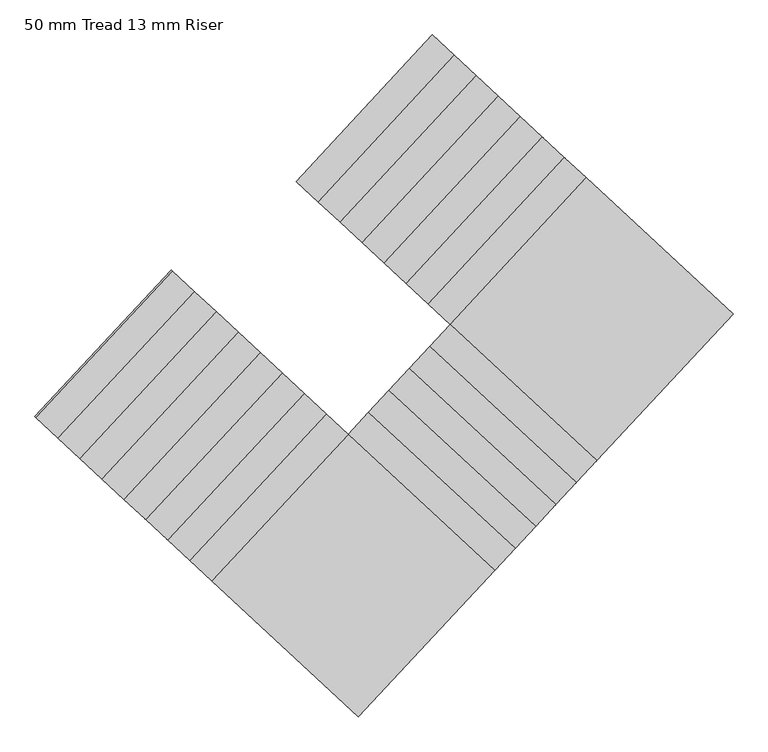
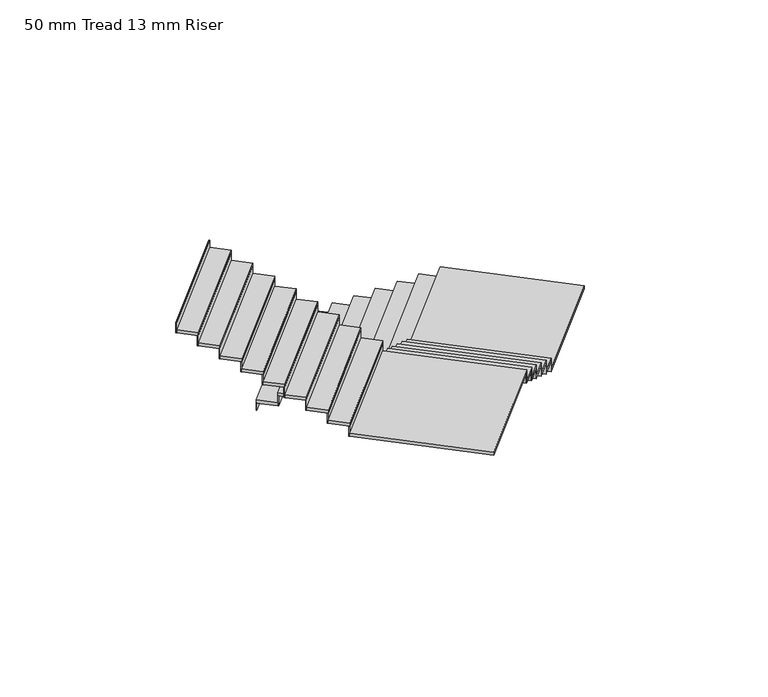
"""IFC4 building model written with IfcOpenShell, lengths in millimetres: stair flight geometry, 50 mm Tread 13 mm Riser."""

from ifc_helpers import new_model, si_unit, frame, origin, place, context, project, spatial, polyline, outline, extrude, source, transform, mapped, element, save


def stair_flight_50_mm_tread_13_mm_riser_6cf9d932(model_context):
    return source(origin(), model_context, "Body", "SweptSolid", [
        extrude(outline(polyline([(-224111.8923245, 1149.5064347), (-224121.0507096, 1158.0137246), (-222759.8843152, 2623.3553389), (-222750.7259301, 2614.848049), (-224111.8923245, 1149.5064347)])), frame((0.0, 0.0, 8680.0), z_axis=(0.0, 0.0, 1.0), x_axis=(1.0, 0.0, 0.0)), (0.0, 0.0, 1.0), 116.6666667),
        extrude(outline(polyline([(-222540.083073, 2419.1803798), (-223901.2494674, 953.8387655), (-224121.0507096, 1158.0137246), (-222759.8843152, 2623.3553389), (-222540.083073, 2419.1803798)])), frame((0.0, 0.0, 8796.6666667), z_axis=(0.0, 0.0, 1.0), x_axis=(1.0, 0.0, 0.0)), (0.0, 0.0, 1.0), 50.0),
        extrude(outline(polyline([(-223892.0910823, 945.3314755), (-223901.2494674, 953.8387655), (-222540.083073, 2419.1803798), (-222530.9246879, 2410.6730898), (-223892.0910823, 945.3314755)])), frame((0.0, 0.0, 8796.6666667), z_axis=(0.0, 0.0, 1.0), x_axis=(1.0, 0.0, 0.0)), (0.0, 0.0, 1.0), 166.6666667),
        extrude(outline(polyline([(-222320.2818309, 2215.0054206), (-223681.4482253, 749.6638063), (-223901.2494674, 953.8387655), (-222540.083073, 2419.1803798), (-222320.2818309, 2215.0054206)])), frame((0.0, 0.0, 8963.3333333), z_axis=(0.0, 0.0, 1.0), x_axis=(1.0, 0.0, 0.0)), (0.0, 0.0, 1.0), 50.0),
        extrude(outline(polyline([(-223672.2898402, 741.1565163), (-223681.4482253, 749.6638063), (-222320.2818309, 2215.0054206), (-222311.1234458, 2206.4981307), (-223672.2898402, 741.1565163)])), frame((0.0, 0.0, 8963.3333333), z_axis=(0.0, 0.0, 1.0), x_axis=(1.0, 0.0, 0.0)), (0.0, 0.0, 1.0), 166.6666667),
        extrude(outline(polyline([(-222100.4805887, 2010.8304615), (-223461.6469831, 545.4888471), (-223681.4482253, 749.6638063), (-222320.2818309, 2215.0054206), (-222100.4805887, 2010.8304615)])), frame((0.0, 0.0, 9130.0), z_axis=(0.0, 0.0, 1.0), x_axis=(1.0, 0.0, 0.0)), (0.0, 0.0, 1.0), 50.0),
        extrude(outline(polyline([(-223452.488598, 536.9815572), (-223461.6469831, 545.4888471), (-222100.4805887, 2010.8304614), (-222091.3222036, 2002.3231715), (-223452.488598, 536.9815572)])), frame((0.0, 0.0, 9130.0), z_axis=(0.0, 0.0, 1.0), x_axis=(1.0, 0.0, 0.0)), (0.0, 0.0, 1.0), 166.6666667),
        extrude(outline(polyline([(-221880.6793466, 1806.6555023), (-223241.845741, 341.313888), (-223461.6469831, 545.4888471), (-222100.4805887, 2010.8304614), (-221880.6793466, 1806.6555023)])), frame((0.0, 0.0, 9296.6666667), z_axis=(0.0, 0.0, 1.0), x_axis=(1.0, 0.0, 0.0)), (0.0, 0.0, 1.0), 50.0),
        extrude(outline(polyline([(-223232.6873559, 332.806598), (-223241.845741, 341.313888), (-221880.6793466, 1806.6555023), (-221871.5209615, 1798.1482123), (-223232.6873559, 332.806598)])), frame((0.0, 0.0, 9296.6666667), z_axis=(0.0, 0.0, 1.0), x_axis=(1.0, 0.0, 0.0)), (0.0, 0.0, 1.0), 166.6666667),
        extrude(outline(polyline([(-221660.8781044, 1602.4805431), (-223022.0444988, 137.1389288), (-223241.845741, 341.313888), (-221880.6793466, 1806.6555023), (-221660.8781044, 1602.4805431)])), frame((0.0, 0.0, 9463.3333333), z_axis=(0.0, 0.0, 1.0), x_axis=(1.0, 0.0, 0.0)), (0.0, 0.0, 1.0), 50.0),
        extrude(outline(polyline([(-223012.8861138, 128.6316388), (-223022.0444988, 137.1389288), (-221660.8781044, 1602.4805431), (-221651.7197193, 1593.9732532), (-223012.8861138, 128.6316388)])), frame((0.0, 0.0, 9463.3333333), z_axis=(0.0, 0.0, 1.0), x_axis=(1.0, 0.0, 0.0)), (0.0, 0.0, 1.0), 166.6666667),
        extrude(outline(polyline([(-221441.0768623, 1398.305584), (-222802.2432567, -67.0360304), (-223022.0444988, 137.1389288), (-221660.8781044, 1602.4805431), (-221441.0768623, 1398.305584)])), frame((0.0, 0.0, 9630.0), z_axis=(0.0, 0.0, 1.0), x_axis=(1.0, 0.0, 0.0)), (0.0, 0.0, 1.0), 50.0),
        extrude(outline(polyline([(-222793.0848716, -75.5433203), (-222802.2432567, -67.0360304), (-221441.0768623, 1398.305584), (-221431.9184772, 1389.798294), (-222793.0848716, -75.5433203)])), frame((0.0, 0.0, 9630.0), z_axis=(0.0, 0.0, 1.0), x_axis=(1.0, 0.0, 0.0)), (0.0, 0.0, 1.0), 166.6666667),
        extrude(outline(polyline([(-221221.2756201, 1194.1306248), (-222582.4420145, -271.2109895), (-222802.2432567, -67.0360304), (-221441.0768623, 1398.305584), (-221221.2756201, 1194.1306248)])), frame((0.0, 0.0, 9796.6666667), z_axis=(0.0, 0.0, 1.0), x_axis=(1.0, 0.0, 0.0)), (0.0, 0.0, 1.0), 50.0),
        extrude(outline(polyline([(-222573.2836295, -279.7182795), (-222582.4420145, -271.2109895), (-221221.2756201, 1194.1306248), (-221212.117235, 1185.6233348), (-222573.2836295, -279.7182795)])), frame((0.0, 0.0, 9796.6666667), z_axis=(0.0, 0.0, 1.0), x_axis=(1.0, 0.0, 0.0)), (0.0, 0.0, 1.0), 166.6666667),
        extrude(outline(polyline([(-221117.1004002, -1632.377384), (-222582.4420145, -271.2109895), (-221221.2756201, 1194.1306248), (-219755.9340058, -167.0357696), (-221117.1004002, -1632.377384)])), frame((0.0, 0.0, 9963.3333333), z_axis=(0.0, 0.0, 1.0), x_axis=(1.0, 0.0, 0.0)), (0.0, 0.0, 1.0), 50.0),
        extrude(outline(polyline([(-222590.9493045, -280.3693746), (-222582.4420145, -271.2109895), (-221117.1004002, -1632.377384), (-221125.6076902, -1641.5357691), (-222590.9493045, -280.3693746)])), frame((0.0, 0.0, 9963.3333333), z_axis=(0.0, 0.0, 1.0), x_axis=(1.0, 0.0, 0.0)), (0.0, 0.0, 1.0), 166.6666667),
        extrude(outline(polyline([(-221321.2753594, -1852.1786261), (-222786.6169737, -491.0122317), (-222582.4420145, -271.2109895), (-221117.1004002, -1632.377384), (-221321.2753594, -1852.1786261)])), frame((0.0, 0.0, 10130.0), z_axis=(0.0, 0.0, 1.0), x_axis=(1.0, 0.0, 0.0)), (0.0, 0.0, 1.0), 50.0),
        extrude(outline(polyline([(-222795.1242637, -500.1706168), (-222786.6169737, -491.0122317), (-221321.2753594, -1852.1786261), (-221329.7826494, -1861.3370112), (-222795.1242637, -500.1706168)])), frame((0.0, 0.0, 10130.0), z_axis=(0.0, 0.0, 1.0), x_axis=(1.0, 0.0, 0.0)), (0.0, 0.0, 1.0), 166.6666667),
        extrude(outline(polyline([(-221525.4503186, -2071.9798683), (-222990.7919329, -710.8134738), (-222786.6169737, -491.0122317), (-221321.2753594, -1852.1786261), (-221525.4503186, -2071.9798683)])), frame((0.0, 0.0, 10296.6666667), z_axis=(0.0, 0.0, 1.0), x_axis=(1.0, 0.0, 0.0)), (0.0, 0.0, 1.0), 50.0),
        extrude(outline(polyline([(-222999.2992228, -719.9718589), (-222990.7919329, -710.8134738), (-221525.4503186, -2071.9798683), (-221533.9576085, -2081.1382534), (-222999.2992228, -719.9718589)])), frame((0.0, 0.0, 10296.6666667), z_axis=(0.0, 0.0, 1.0), x_axis=(1.0, 0.0, 0.0)), (0.0, 0.0, 1.0), 166.6666667),
        extrude(outline(polyline([(-221729.6252777, -2291.7811104), (-223194.966892, -930.614716), (-222990.7919329, -710.8134738), (-221525.4503186, -2071.9798683), (-221729.6252777, -2291.7811104)])), frame((0.0, 0.0, 10463.3333333), z_axis=(0.0, 0.0, 1.0), x_axis=(1.0, 0.0, 0.0)), (0.0, 0.0, 1.0), 50.0),
        extrude(outline(polyline([(-223203.474182, -939.7731011), (-223194.966892, -930.614716), (-221729.6252777, -2291.7811104), (-221738.1325677, -2300.9394955), (-223203.474182, -939.7731011)])), frame((0.0, 0.0, 10463.3333333), z_axis=(0.0, 0.0, 1.0), x_axis=(1.0, 0.0, 0.0)), (0.0, 0.0, 1.0), 166.6666667),
        extrude(outline(polyline([(-221933.8002369, -2511.5823526), (-223399.1418512, -1150.4159581), (-223194.966892, -930.614716), (-221729.6252777, -2291.7811104), (-221933.8002369, -2511.5823526)])), frame((0.0, 0.0, 10630.0), z_axis=(0.0, 0.0, 1.0), x_axis=(1.0, 0.0, 0.0)), (0.0, 0.0, 1.0), 50.0),
        extrude(outline(polyline([(-223407.6491412, -1159.5743432), (-223399.1418512, -1150.4159581), (-221933.8002369, -2511.5823526), (-221942.3075269, -2520.7407377), (-223407.6491412, -1159.5743432)])), frame((0.0, 0.0, 10630.0), z_axis=(0.0, 0.0, 1.0), x_axis=(1.0, 0.0, 0.0)), (0.0, 0.0, 1.0), 166.6666667),
        extrude(outline(polyline([(-222137.9751961, -2731.3835947), (-223603.3168104, -1370.2172003), (-223399.1418512, -1150.4159581), (-221933.8002369, -2511.5823526), (-222137.9751961, -2731.3835947)])), frame((0.0, 0.0, 10796.6666667), z_axis=(0.0, 0.0, 1.0), x_axis=(1.0, 0.0, 0.0)), (0.0, 0.0, 1.0), 50.0),
        extrude(outline(polyline([(-223611.8241003, -1379.3755854), (-223603.3168104, -1370.2172003), (-222137.9751961, -2731.3835947), (-222146.482486, -2740.5419798), (-223611.8241003, -1379.3755854)])), frame((0.0, 0.0, 10796.6666667), z_axis=(0.0, 0.0, 1.0), x_axis=(1.0, 0.0, 0.0)), (0.0, 0.0, 1.0), 166.6666667),
        extrude(outline(polyline([(-224964.4832048, -2835.5588146), (-223603.3168104, -1370.2172003), (-222137.9751961, -2731.3835947), (-223499.1415905, -4196.725209), (-224964.4832048, -2835.5588146)])), frame((0.0, 0.0, 10963.3333333), z_axis=(0.0, 0.0, 1.0), x_axis=(1.0, 0.0, 0.0)), (0.0, 0.0, 1.0), 50.0),
        extrude(outline(polyline([(-223612.4751955, -1361.7099103), (-223603.3168104, -1370.2172003), (-224964.4832048, -2835.5588146), (-224973.6415899, -2827.0515246), (-223612.4751955, -1361.7099103)])), frame((0.0, 0.0, 10963.3333333), z_axis=(0.0, 0.0, 1.0), x_axis=(1.0, 0.0, 0.0)), (0.0, 0.0, 1.0), 166.6666667),
        extrude(outline(polyline([(-225184.284447, -2631.3838554), (-223823.1180525, -1166.0422411), (-223603.3168104, -1370.2172003), (-224964.4832048, -2835.5588146), (-225184.284447, -2631.3838554)])), frame((0.0, 0.0, 11130.0), z_axis=(0.0, 0.0, 1.0), x_axis=(1.0, 0.0, 0.0)), (0.0, 0.0, 1.0), 50.0),
        extrude(outline(polyline([(-223832.2764376, -1157.5349511), (-223823.1180525, -1166.0422411), (-225184.284447, -2631.3838554), (-225193.442832, -2622.8765655), (-223832.2764376, -1157.5349511)])), frame((0.0, 0.0, 11130.0), z_axis=(0.0, 0.0, 1.0), x_axis=(1.0, 0.0, 0.0)), (0.0, 0.0, 1.0), 166.6666667),
        extrude(outline(polyline([(-225404.0856891, -2427.2088963), (-224042.9192947, -961.8672819), (-223823.1180525, -1166.0422411), (-225184.284447, -2631.3838554), (-225404.0856891, -2427.2088963)])), frame((0.0, 0.0, 11296.6666667), z_axis=(0.0, 0.0, 1.0), x_axis=(1.0, 0.0, 0.0)), (0.0, 0.0, 1.0), 50.0),
        extrude(outline(polyline([(-224052.0776798, -953.359992), (-224042.9192947, -961.8672819), (-225404.0856891, -2427.2088963), (-225413.2440742, -2418.7016063), (-224052.0776798, -953.359992)])), frame((0.0, 0.0, 11296.6666667), z_axis=(0.0, 0.0, 1.0), x_axis=(1.0, 0.0, 0.0)), (0.0, 0.0, 1.0), 166.6666667),
        extrude(outline(polyline([(-225623.8869313, -2223.0339371), (-224262.7205368, -757.6923228), (-224042.9192947, -961.8672819), (-225404.0856891, -2427.2088963), (-225623.8869313, -2223.0339371)])), frame((0.0, 0.0, 11463.3333333), z_axis=(0.0, 0.0, 1.0), x_axis=(1.0, 0.0, 0.0)), (0.0, 0.0, 1.0), 50.0),
        extrude(outline(polyline([(-224271.8789219, -749.1850328), (-224262.7205368, -757.6923228), (-225623.8869313, -2223.0339371), (-225633.0453163, -2214.5266471), (-224271.8789219, -749.1850328)])), frame((0.0, 0.0, 11463.3333333), z_axis=(0.0, 0.0, 1.0), x_axis=(1.0, 0.0, 0.0)), (0.0, 0.0, 1.0), 166.6666667),
        extrude(outline(polyline([(-225843.6881734, -2018.8589779), (-224482.521779, -553.5173636), (-224262.7205368, -757.6923228), (-225623.8869313, -2223.0339371), (-225843.6881734, -2018.8589779)])), frame((0.0, 0.0, 11630.0), z_axis=(0.0, 0.0, 1.0), x_axis=(1.0, 0.0, 0.0)), (0.0, 0.0, 1.0), 50.0),
        extrude(outline(polyline([(-224491.6801641, -545.0100737), (-224482.521779, -553.5173636), (-225843.6881734, -2018.8589779), (-225852.8465585, -2010.351688), (-224491.6801641, -545.0100737)])), frame((0.0, 0.0, 11630.0), z_axis=(0.0, 0.0, 1.0), x_axis=(1.0, 0.0, 0.0)), (0.0, 0.0, 1.0), 166.6666667),
        extrude(outline(polyline([(-226063.4894156, -1814.6840188), (-224702.3230211, -349.3424045), (-224482.521779, -553.5173636), (-225843.6881734, -2018.8589779), (-226063.4894156, -1814.6840188)])), frame((0.0, 0.0, 11796.6666667), z_axis=(0.0, 0.0, 1.0), x_axis=(1.0, 0.0, 0.0)), (0.0, 0.0, 1.0), 50.0),
        extrude(outline(polyline([(-224711.4814062, -340.8351145), (-224702.3230211, -349.3424044), (-226063.4894156, -1814.6840188), (-226072.6478006, -1806.1767288), (-224711.4814062, -340.8351145)])), frame((0.0, 0.0, 11796.6666667), z_axis=(0.0, 0.0, 1.0), x_axis=(1.0, 0.0, 0.0)), (0.0, 0.0, 1.0), 166.6666667),
        extrude(outline(polyline([(-226283.2906577, -1610.5090596), (-224922.1242633, -145.1674453), (-224702.3230211, -349.3424044), (-226063.4894156, -1814.6840188), (-226283.2906577, -1610.5090596)])), frame((0.0, 0.0, 11963.3333333), z_axis=(0.0, 0.0, 1.0), x_axis=(1.0, 0.0, 0.0)), (0.0, 0.0, 1.0), 50.0),
        extrude(outline(polyline([(-224931.2826484, -136.6601553), (-224922.1242633, -145.1674453), (-226283.2906577, -1610.5090596), (-226292.4490428, -1602.0017696), (-224931.2826484, -136.6601553)])), frame((0.0, 0.0, 11963.3333333), z_axis=(0.0, 0.0, 1.0), x_axis=(1.0, 0.0, 0.0)), (0.0, 0.0, 1.0), 166.6666667),
        extrude(outline(polyline([(-226503.0918999, -1406.3341004), (-225141.9255054, 59.0075139), (-224922.1242633, -145.1674453), (-226283.2906577, -1610.5090596), (-226503.0918999, -1406.3341004)])), frame((0.0, 0.0, 12130.0), z_axis=(0.0, 0.0, 1.0), x_axis=(1.0, 0.0, 0.0)), (0.0, 0.0, 1.0), 50.0),
        extrude(outline(polyline([(-225151.0838905, 67.5148038), (-225141.9255054, 59.0075139), (-226503.0918999, -1406.3341004), (-226512.2502849, -1397.8268105), (-225151.0838905, 67.5148038)])), frame((0.0, 0.0, 12130.0), z_axis=(0.0, 0.0, 1.0), x_axis=(1.0, 0.0, 0.0)), (0.0, 0.0, 1.0), 166.6666667),
        extrude(outline(polyline([(-225370.8851327, 271.689763), (-225361.7267476, 263.182473), (-226722.893142, -1202.1591413), (-226732.0515271, -1193.6518513), (-225370.8851327, 271.689763)])), frame((0.0, 0.0, 12296.6666667), z_axis=(0.0, 0.0, 1.0), x_axis=(1.0, 0.0, 0.0)), (0.0, 0.0, 1.0), 166.6666667),
        extrude(outline(polyline([(-226722.893142, -1202.1591413), (-225361.7267476, 263.182473), (-225141.9255054, 59.0075139), (-226503.0918999, -1406.3341004), (-226722.893142, -1202.1591413)])), frame((0.0, 0.0, 12296.6666667), z_axis=(0.0, 0.0, 1.0), x_axis=(1.0, 0.0, 0.0)), (0.0, 0.0, 1.0), 50.0),
    ])


if __name__ == "__main__":
    model = new_model("IFC4")
    model_context = context("Model", 3, world=origin())
    ifc_project = project(units=[si_unit("LENGTHUNIT", "METRE", prefix="MILLI")], contexts=[model_context])
    site = spatial("IfcSite", under=ifc_project)
    building = spatial("IfcBuilding", under=site)
    placement = place(None, origin())
    stair_flight_50_mm_tread_13_mm_riser_shape = stair_flight_50_mm_tread_13_mm_riser_6cf9d932(model_context)
    element("IfcStairFlight", 1, ObjectType="50 mm Tread 13 mm Riser", at=placement, inside=building, context=model_context, shape_type="MappedRepresentation", body=[
        mapped(stair_flight_50_mm_tread_13_mm_riser_shape, transform((0.0, 0.0, 0.0), x_axis=(1.0, 0.0, 0.0), y_axis=(0.0, 1.0, 0.0), z_axis=(0.0, 0.0, 1.0))),
    ])
    save(model, "model.ifc")
